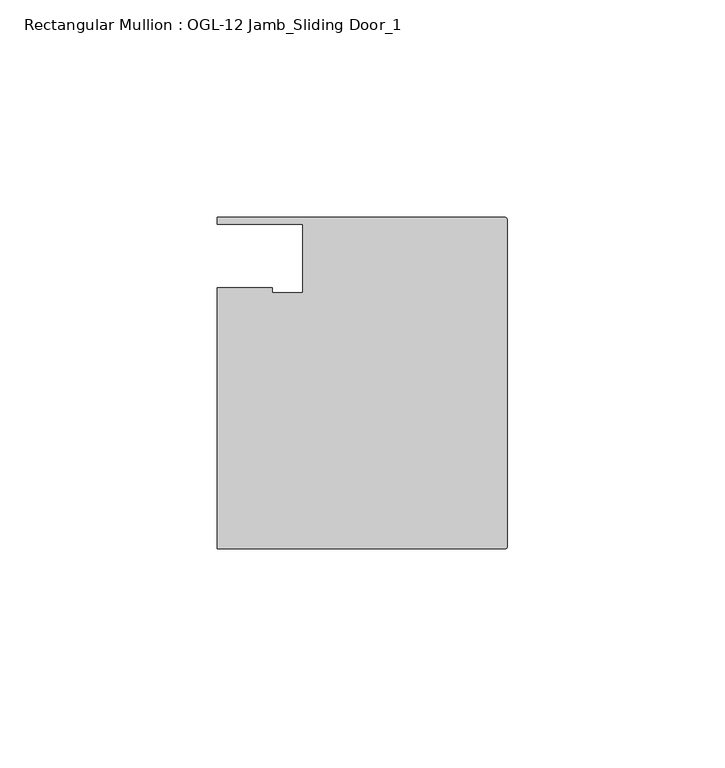
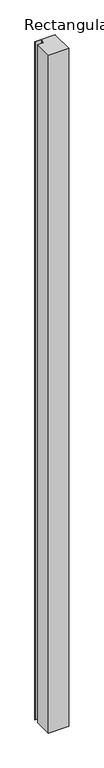
"""IFC4 building model written with IfcOpenShell, lengths in millimetres: member geometry, Rectangular Mullion : OGL-12 Jamb_Sliding Door_1."""

import ifcopenshell
import ifcopenshell.guid

model = None  # the IFC model being written
_history = None  # IfcOwnerHistory: only IFC2X3 demands one
_inside = {}  # id of a spatial element -> (the spatial element, [elements in it])
_under = {}  # id of a project, library or spatial element -> (it, [spatial elements below it])
_declared = {}  # id of a project -> (the project, [libraries it declares])
_typed = {}  # id of a type object -> (the type object, [elements of that type])
_made_of = {}  # id of a material, layer set ... -> (it, [elements and type objects made of it])


def new_model(schema):
    """Start an empty IFC model of exactly this schema.

    Asked for "IFC4X3", IfcOpenShell would pick the latest addendum, in which some entities
    have other attributes; the version numbers below select the first issue.
    IFC2X3 requires an IfcOwnerHistory on every rooted entity: one is made here for all.
    """
    global model, _history
    if schema == "IFC4X3":
        model = ifcopenshell.file(schema_version=(4, 3, 0, 0))
    else:
        model = ifcopenshell.file(schema=schema)
    _inside.clear()
    _under.clear()
    _declared.clear()
    _typed.clear()
    _made_of.clear()
    _history = None
    if model.schema == "IFC2X3":
        org = make("IfcOrganization", Name="unknown")
        user = make(
            "IfcPersonAndOrganization",
            ThePerson=make("IfcPerson", FamilyName="unknown"),
            TheOrganization=org,
        )
        app = make(
            "IfcApplication",
            ApplicationDeveloper=org,
            Version="unknown",
            ApplicationFullName="unknown",
            ApplicationIdentifier="unknown",
        )
        _history = make(
            "IfcOwnerHistory",
            OwningUser=user,
            OwningApplication=app,
            ChangeAction="ADDED",
            CreationDate=0,
        )
    return model


def make(cls, **values):
    """One entity of the class cls with the attributes given. An attribute that is None is left unset."""
    return model.create_entity(
        cls, **{name: value for name, value in values.items() if value is not None}
    )


def rooted(cls, **values):
    """An entity with a GlobalId (a new one), such as an element, a storey or a relation."""
    return make(cls, GlobalId=ifcopenshell.guid.new(), OwnerHistory=_history, **values)


def si_unit(unit_type, name, prefix=None):
    """IfcSIUnit, for example si_unit("LENGTHUNIT", "METRE", prefix="MILLI")."""
    return make("IfcSIUnit", UnitType=unit_type, Prefix=prefix, Name=name)


def assignment(units):
    """IfcUnitAssignment: the units of a project."""
    return None if units is None else make("IfcUnitAssignment", Units=units)


def point(xyz):
    """IfcCartesianPoint."""
    return None if xyz is None else make("IfcCartesianPoint", Coordinates=xyz)


def direction(xyz):
    """IfcDirection."""
    return None if xyz is None else make("IfcDirection", DirectionRatios=xyz)


def frame(location, z_axis=None, x_axis=None):
    """IfcAxis2Placement3D, a coordinate frame: its origin and axes. An axis left out is left unset."""
    return make(
        "IfcAxis2Placement3D",
        Location=point(location),
        Axis=direction(z_axis),
        RefDirection=direction(x_axis),
    )


def frame_2d(location, x_axis=None):
    """IfcAxis2Placement2D, a coordinate frame in the plane: its origin and x axis."""
    return make(
        "IfcAxis2Placement2D", Location=point(location), RefDirection=direction(x_axis)
    )


def origin():
    """The frame at (0, 0, 0) with its axes left unset."""
    return frame((0.0, 0.0, 0.0))


def place(relative_to, where):
    """IfcLocalPlacement: puts the frame where relative to a parent placement (None: the world)."""
    return make(
        "IfcLocalPlacement", PlacementRelTo=relative_to, RelativePlacement=where
    )


def context(
    kind, dimensions, precision=None, world=None, true_north=None, identifier=None
):
    """IfcGeometricRepresentationContext, for example the 3D "Model" context."""
    return make(
        "IfcGeometricRepresentationContext",
        ContextIdentifier=identifier,
        ContextType=kind,
        CoordinateSpaceDimension=dimensions,
        Precision=precision,
        WorldCoordinateSystem=world,
        TrueNorth=true_north,
    )


def project(units=None, contexts=None):
    """IfcProject with its units and contexts."""
    return rooted(
        "IfcProject",
        Name="project",
        RepresentationContexts=contexts,
        UnitsInContext=assignment(units),
    )


def spatial(cls, under=None, at=None, **own):
    """A site, building, storey or space (cls), placed at a placement, below another one or the project."""
    s = rooted(cls, ObjectPlacement=at, **own)
    if under is not None:
        _under.setdefault(under.id(), (under, []))[1].append(s)
    return s


def polyline(points):
    """IfcPolyline through the points."""
    return make("IfcPolyline", Points=[point(p) for p in points])


def circle_curve(where, radius):
    """IfcCircle in the frame where."""
    return make("IfcCircle", Position=where, Radius=radius)


def trimmed(basis, trim1, trim2, sense, master):
    """IfcTrimmedCurve: the piece of a basis curve between two trims."""
    return make(
        "IfcTrimmedCurve",
        BasisCurve=basis,
        Trim1=trim1,
        Trim2=trim2,
        SenseAgreement=sense,
        MasterRepresentation=master,
    )


def segment(curve, same_sense, transition):
    """IfcCompositeCurveSegment."""
    return make(
        "IfcCompositeCurveSegment",
        Transition=transition,
        SameSense=same_sense,
        ParentCurve=curve,
    )


def composite_curve(segments, self_intersect=None):
    """IfcCompositeCurve: segments joined end to end."""
    return make("IfcCompositeCurve", Segments=segments, SelfIntersect=self_intersect)


def outline(outer, holes=None, kind="AREA"):
    """IfcArbitraryClosedProfileDef: a profile drawn as a closed curve; with holes, ...WithVoids."""
    if holes is None:
        return make("IfcArbitraryClosedProfileDef", ProfileType=kind, OuterCurve=outer)
    return make(
        "IfcArbitraryProfileDefWithVoids",
        ProfileType=kind,
        OuterCurve=outer,
        InnerCurves=holes,
    )


def extrude(swept, where, along, depth):
    """IfcExtrudedAreaSolid: the profile swept, set in the frame where, extruded along a direction by depth."""
    return make(
        "IfcExtrudedAreaSolid",
        SweptArea=swept,
        Position=where,
        ExtrudedDirection=direction(along),
        Depth=depth,
    )


def shape(context_of_items, identifier, shape_type, items):
    """IfcShapeRepresentation: the items that make up one representation, for example the "Body"."""
    return make(
        "IfcShapeRepresentation",
        ContextOfItems=context_of_items,
        RepresentationIdentifier=identifier,
        RepresentationType=shape_type,
        Items=items,
    )


def source(mapping_origin, context_of_items, identifier, shape_type, items):
    """IfcRepresentationMap: a shape defined once, which mapped items show again and again."""
    return make(
        "IfcRepresentationMap",
        MappingOrigin=mapping_origin,
        MappedRepresentation=shape(context_of_items, identifier, shape_type, items),
    )


def transform(
    local_origin,
    x_axis=None,
    y_axis=None,
    z_axis=None,
    scale=None,
    scale2=None,
    scale3=None,
    uniform=True,
):
    """IfcCartesianTransformationOperator3D, or its non-uniform kind. x_axis, y_axis, z_axis: its Axis1, 2, 3."""
    if uniform:
        return make(
            "IfcCartesianTransformationOperator3D",
            Axis1=direction(x_axis),
            Axis2=direction(y_axis),
            LocalOrigin=point(local_origin),
            Scale=scale,
            Axis3=direction(z_axis),
        )
    return make(
        "IfcCartesianTransformationOperator3DnonUniform",
        Axis1=direction(x_axis),
        Axis2=direction(y_axis),
        LocalOrigin=point(local_origin),
        Scale=scale,
        Axis3=direction(z_axis),
        Scale2=scale2,
        Scale3=scale3,
    )


def mapped(mapping_source, mapping_target):
    """IfcMappedItem: shows the shape of a source again, moved by a transform."""
    return make(
        "IfcMappedItem", MappingSource=mapping_source, MappingTarget=mapping_target
    )


def made_of(thing, what):
    """Note that an element or type object is made of a material, layer set ...; save() writes the relation."""
    if what is not None:
        _made_of.setdefault(what.id(), (what, []))[1].append(thing)
    return thing


def element(
    cls,
    number,
    at=None,
    inside=None,
    cuts=None,
    type_object=None,
    material=None,
    context=None,
    identifier="Body",
    shape_type=None,
    held_by="IfcProductDefinitionShape",
    body=None,
    shapes=None,
    **own,
):
    """One element of the class cls, such as IfcWall. Its Tag is "e" and its number.

    at: its placement. inside: the storey or other place that contains it. cuts: it is an
    opening in that element (IfcRelVoidsElement). A single representation is given by context,
    identifier, shape_type and body (its items); several are given by shapes. held_by: the class
    of the entity that holds the representations. save() writes the other relations.
    """
    e = rooted(cls, Tag="e%d" % number, ObjectPlacement=at, **own)
    if body is not None:
        shapes = [shape(context, identifier, shape_type, body)]
    if shapes is not None:
        e.Representation = make(held_by, Representations=shapes)
    if inside is not None:
        _inside.setdefault(inside.id(), (inside, []))[1].append(e)
    if cuts is not None:
        rooted(
            "IfcRelVoidsElement", RelatingBuildingElement=cuts, RelatedOpeningElement=e
        )
    if type_object is not None:
        _typed.setdefault(type_object.id(), (type_object, []))[1].append(e)
    return made_of(e, material)


def aggregate(whole, parts):
    """IfcRelAggregates: a whole, such as a stair, and the parts it consists of."""
    return rooted("IfcRelAggregates", RelatingObject=whole, RelatedObjects=parts)


def save(model, path):
    """Write the relations noted so far, then the file.

    IfcRelAggregates (storeys below a building ...), IfcRelContainedInSpatialStructure (elements
    in a storey), IfcRelDefinesByType, IfcRelAssociatesMaterial and IfcRelDeclares: one each for
    every whole, place, type object, material and project.
    """
    for whole, parts in _under.values():
        aggregate(whole, parts)
    for where, things in _inside.values():
        rooted(
            "IfcRelContainedInSpatialStructure",
            RelatedElements=things,
            RelatingStructure=where,
        )
    for kind, things in _typed.values():
        rooted("IfcRelDefinesByType", RelatedObjects=things, RelatingType=kind)
    for what, things in _made_of.values():
        rooted("IfcRelAssociatesMaterial", RelatedObjects=things, RelatingMaterial=what)
    for by, libraries in _declared.values():
        rooted("IfcRelDeclares", RelatingContext=by, RelatedDefinitions=libraries)
    model.write(path)


def rectangular_mullion_ogl_12_jamb_sliding_door_1_db063785(model_context):
    return source(origin(), model_context, "Body", "SweptSolid", [
        extrude(outline(composite_curve([segment(polyline([(-47.0121851, 36.512516), (-66.6649711, 36.512516), (-66.6649711, 38.100016), (-0.5953125, 38.100016)]), True, "CONTINUOUS"), segment(trimmed(circle_curve(frame_2d((-0.5953125, 37.5047035)), 0.5953125), [point((-0.5953125, 38.100016))], [point((0.0, 37.5047035))], False, "CARTESIAN"), True, "CONTINUOUS"), segment(polyline([(0.0, 37.5047035), (0.0, -37.5043667)]), True, "CONTINUOUS"), segment(trimmed(circle_curve(frame_2d((-0.5953125, -37.5043667)), 0.5953125), [point((0.0, -37.5043667))], [point((-0.5953125, -38.0996792))], False, "CARTESIAN"), True, "CONTINUOUS"), segment(polyline([(-0.5953125, -38.0996792), (-66.6740655, -38.0996792), (-66.6740655, 21.9710976), (-54.0386602, 21.9710976), (-54.0386602, 20.8257348), (-47.0121851, 20.8257348), (-47.0121851, 36.512516)]), True, "CONTINUOUS")], self_intersect=False)), frame((0.0, 0.0, -2339.4648576), z_axis=(0.0, 0.0, 1.0), x_axis=(1.0, 0.0, 0.0)), (0.0, 0.0, 1.0), 2339.4648576),
    ])


if __name__ == "__main__":
    model = new_model("IFC4")
    model_context = context("Model", 3, world=origin())
    ifc_project = project(units=[si_unit("LENGTHUNIT", "METRE", prefix="MILLI")], contexts=[model_context])
    site = spatial("IfcSite", under=ifc_project)
    building = spatial("IfcBuilding", under=site)
    placement = place(None, origin())
    rectangular_mullion_ogl_12_jamb_sliding_door_1_shape = rectangular_mullion_ogl_12_jamb_sliding_door_1_db063785(model_context)
    element("IfcMember", 1, ObjectType="Rectangular Mullion : OGL-12 Jamb_Sliding Door_1", at=placement, inside=building, context=model_context, shape_type="MappedRepresentation", body=[
        mapped(rectangular_mullion_ogl_12_jamb_sliding_door_1_shape, transform((0.0, 0.0, 0.0), x_axis=(1.0, 0.0, 0.0), y_axis=(0.0, 1.0, 0.0), z_axis=(0.0, 0.0, 1.0))),
    ])
    save(model, "model.ifc")
